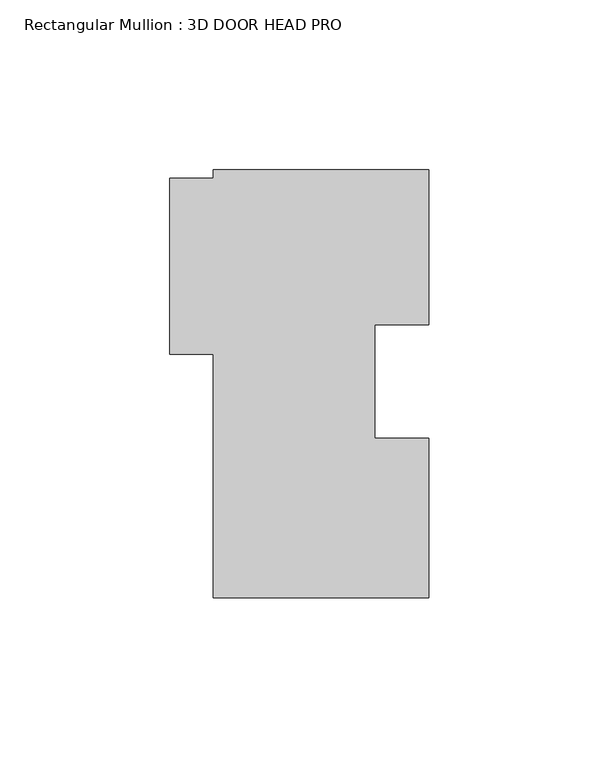
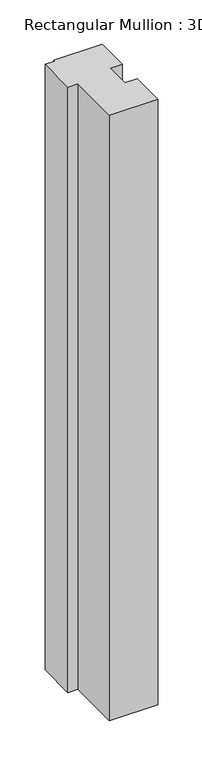
"""IFC4 building model written with IfcOpenShell, lengths in millimetres: member geometry, Rectangular Mullion : 3D DOOR HEAD PRO."""

from ifc_helpers import new_model, si_unit, frame, origin, place, context, project, spatial, polyline, outline, extrude, source, transform, mapped, element, save


def rectangular_mullion_3d_door_head_pro_1ebd9bc1(model_context):
    return source(origin(), model_context, "Body", "SweptSolid", [
        extrude(outline(polyline([(31.75, -62.8904), (-31.75, -62.8904), (-31.75, 8.7122), (-44.45, 8.7122), (-44.45, 60.50915), (-31.75, 60.50915), (-31.75, 62.8904), (31.75, 62.8904), (31.75, 17.3457209), (15.8624762, 17.3457209), (15.8624762, -16.0745063), (31.75, -16.0745063), (31.75, -62.8904)])), frame((0.0, 0.0, -838.2), z_axis=(0.0, 0.0, 1.0), x_axis=(1.0, 0.0, 0.0)), (0.0, 0.0, 1.0), 838.2),
    ])


if __name__ == "__main__":
    model = new_model("IFC4")
    model_context = context("Model", 3, world=origin())
    ifc_project = project(units=[si_unit("LENGTHUNIT", "METRE", prefix="MILLI")], contexts=[model_context])
    site = spatial("IfcSite", under=ifc_project)
    building = spatial("IfcBuilding", under=site)
    placement = place(None, origin())
    rectangular_mullion_3d_door_head_pro_shape = rectangular_mullion_3d_door_head_pro_1ebd9bc1(model_context)
    element("IfcMember", 1, ObjectType="Rectangular Mullion : 3D DOOR HEAD PRO", at=placement, inside=building, context=model_context, shape_type="MappedRepresentation", body=[
        mapped(rectangular_mullion_3d_door_head_pro_shape, transform((0.0, 0.0, 0.0), x_axis=(1.0, 0.0, 0.0), y_axis=(0.0, 1.0, 0.0), z_axis=(0.0, 0.0, 1.0))),
    ])
    save(model, "model.ifc")
